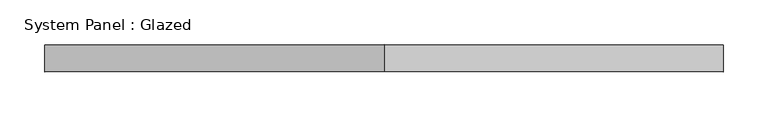
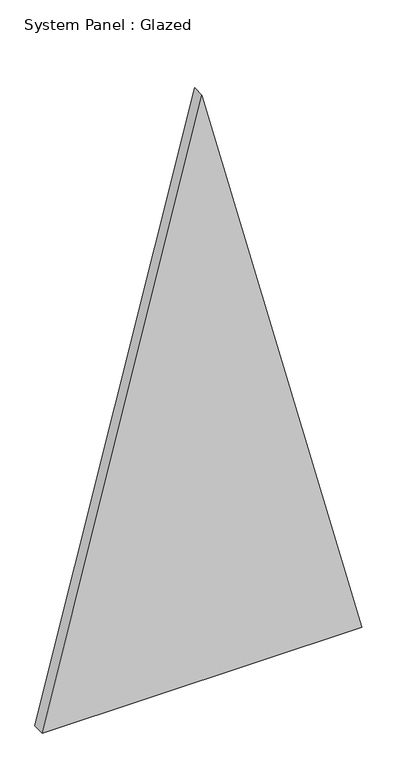
"""IFC4 building model written with IfcOpenShell, lengths in millimetres: plate geometry, System Panel : Glazed."""

from ifc_helpers import new_model, si_unit, frame, origin, place, context, project, spatial, polyline, outline, extrude, source, transform, mapped, element, save


def system_panel_glazed_2bc0ffe2(model_context):
    return source(origin(), model_context, "Body", "SweptSolid", [
        extrude(outline(polyline([(0.0, -377.8969509), (0.0, 377.8969509), (1463.7629134, 0.0), (0.0, -377.8969509)])), frame((0.0, -36.8101562, 0.0), z_axis=(0.0, 1.0, 0.0), x_axis=(0.0, 0.0, 1.0)), (0.0, 0.0, 1.0), 30.1625),
    ])


if __name__ == "__main__":
    model = new_model("IFC4")
    model_context = context("Model", 3, world=origin())
    ifc_project = project(units=[si_unit("LENGTHUNIT", "METRE", prefix="MILLI")], contexts=[model_context])
    site = spatial("IfcSite", under=ifc_project)
    building = spatial("IfcBuilding", under=site)
    placement = place(None, origin())
    system_panel_glazed_shape = system_panel_glazed_2bc0ffe2(model_context)
    element("IfcPlate", 1, ObjectType="System Panel : Glazed", at=placement, inside=building, context=model_context, shape_type="MappedRepresentation", body=[
        mapped(system_panel_glazed_shape, transform((0.0, 0.0, 0.0), x_axis=(1.0, 0.0, 0.0), y_axis=(0.0, 1.0, 0.0), z_axis=(0.0, 0.0, 1.0))),
    ])
    save(model, "model.ifc")
